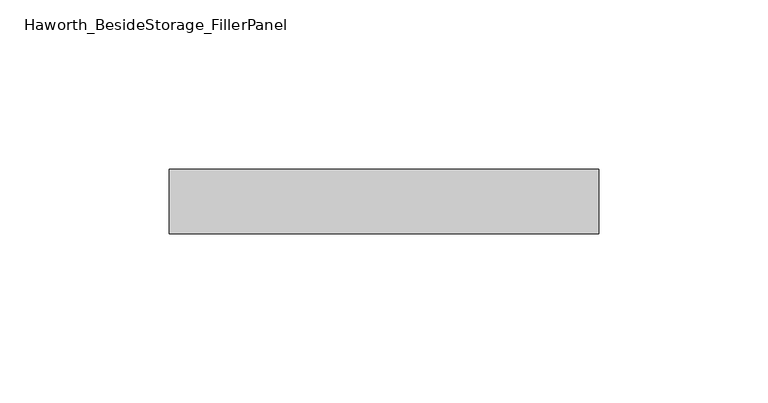
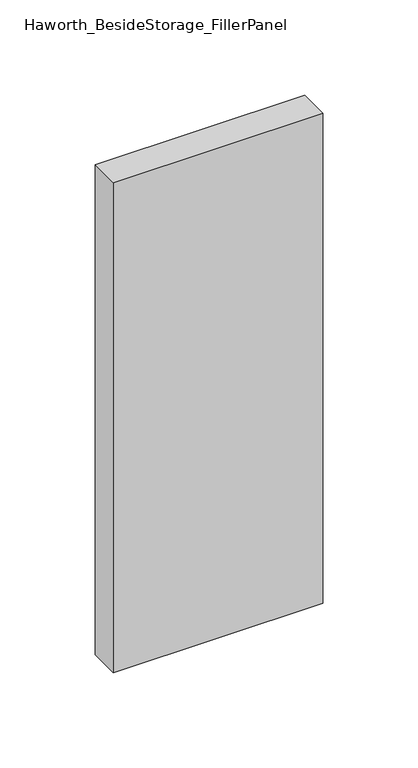
"""IFC4 building model written with IfcOpenShell, lengths in millimetres: furniture geometry, Haworth_BesideStorage_FillerPanel."""

from ifc_helpers import new_model, si_unit, frame, origin, place, context, project, spatial, polyline, outline, extrude, source, transform, mapped, element, save


def haworth_besidestorage_fillerpanel_d376411b(model_context):
    return source(origin(), model_context, "Body", "SweptSolid", [
        extrude(outline(polyline([(365.125, 247.8645843), (365.125, 228.8145843), (238.125, 228.8145843), (238.125, 247.8645843), (365.125, 247.8645843)])), frame((0.0, 0.0, 44.45), z_axis=(0.0, 0.0, 1.0), x_axis=(1.0, 0.0, 0.0)), (0.0, 0.0, 1.0), 314.325),
    ])


if __name__ == "__main__":
    model = new_model("IFC4")
    model_context = context("Model", 3, world=origin())
    ifc_project = project(units=[si_unit("LENGTHUNIT", "METRE", prefix="MILLI")], contexts=[model_context])
    site = spatial("IfcSite", under=ifc_project)
    building = spatial("IfcBuilding", under=site)
    placement = place(None, origin())
    haworth_besidestorage_fillerpanel_shape = haworth_besidestorage_fillerpanel_d376411b(model_context)
    element("IfcFurniture", 1, ObjectType="Haworth_BesideStorage_FillerPanel", at=placement, inside=building, context=model_context, shape_type="MappedRepresentation", body=[
        mapped(haworth_besidestorage_fillerpanel_shape, transform((0.0, 0.0, 0.0), x_axis=(1.0, 0.0, 0.0), y_axis=(0.0, 1.0, 0.0), z_axis=(0.0, 0.0, 1.0))),
    ])
    save(model, "model.ifc")
